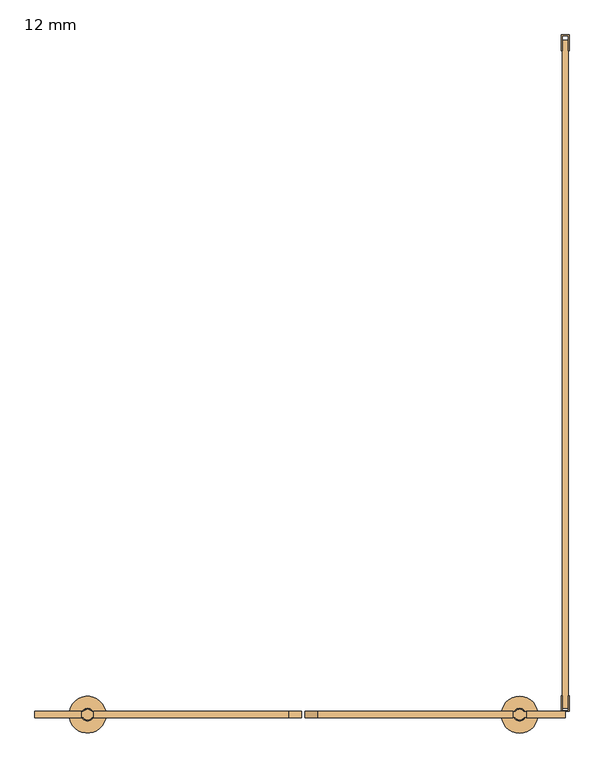
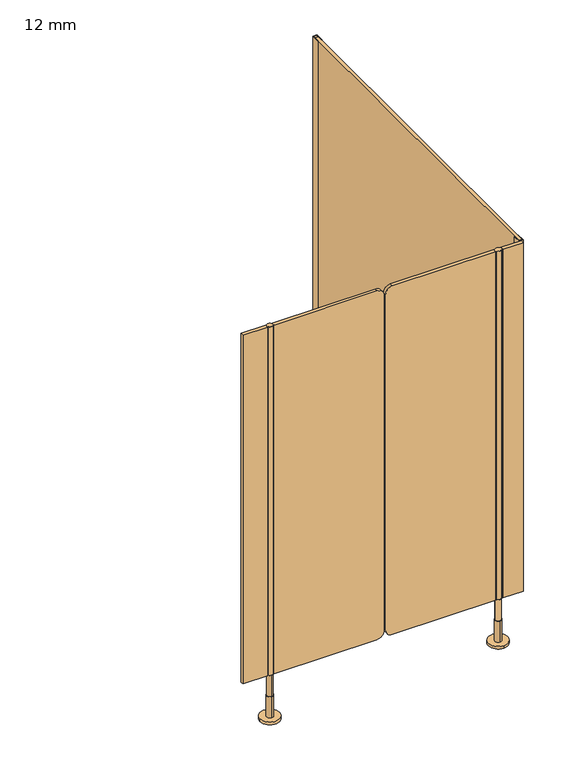
"""IFC4 building model written with IfcOpenShell, lengths in millimetres: door geometry, 12 mm."""

from ifc_helpers import new_model, si_unit, point, frame, frame_2d, origin, place, context, project, spatial, polyline, circle_curve, trimmed, segment, composite_curve, outline, extrude, source, transform, mapped, element, save
from ifc_brep_helpers import plane_surface, cylinder_surface, advanced_brep


def door_12_mm_644e4122(model_context):
    return source(origin(), model_context, "Body", "SolidModel", [
        advanced_brep(
        [(429.0, -1296.0, 170.0), (409.0, -1296.0, 170.0), (409.0, -1296.0, 90.0), (429.0, -1296.0, 90.0), (419.0, -1284.0, 90.0), (419.0, -1308.0, 90.0), (419.0, -1284.0, 10.0), (419.0, -1308.0, 10.0), (419.0, -1261.0, 10.0), (419.0, -1331.0, 10.0), (419.0, -1261.0, 0.0), (419.0, -1331.0, 0.0)],
        [
            (0, 1, circle_curve(frame((419.0, -1296.0, 170.0), z_axis=(0.0, 0.0, 1.0), x_axis=(-1.0, 0.0, 0.0)), 10.0)),
            (1, 0, circle_curve(frame((419.0, -1296.0, 170.0), z_axis=(0.0, 0.0, 1.0), x_axis=(-1.0, 0.0, 0.0)), 10.0)),
            (1, 2),
            (2, 3, circle_curve(frame((419.0, -1296.0, 90.0), z_axis=(0.0, 0.0, 1.0), x_axis=(-1.0, 0.0, 0.0)), 10.0)),
            (3, 0),
            (3, 2, circle_curve(frame((419.0, -1296.0, 90.0), z_axis=(0.0, 0.0, 1.0), x_axis=(-1.0, 0.0, 0.0)), 10.0)),
            (4, 5, circle_curve(frame((419.0, -1296.0, 90.0), z_axis=(0.0, 0.0, 1.0), x_axis=(0.0, -1.0, 0.0)), 12.0)),
            (5, 4, circle_curve(frame((419.0, -1296.0, 90.0), z_axis=(0.0, 0.0, 1.0), x_axis=(0.0, -1.0, 0.0)), 12.0)),
            (4, 6),
            (6, 7, circle_curve(frame((419.0, -1296.0, 10.0), z_axis=(0.0, 0.0, 1.0), x_axis=(0.0, -1.0, 0.0)), 12.0)),
            (7, 5),
            (7, 6, circle_curve(frame((419.0, -1296.0, 10.0), z_axis=(0.0, 0.0, 1.0), x_axis=(0.0, -1.0, 0.0)), 12.0)),
            (8, 9, circle_curve(frame((419.0, -1296.0, 10.0), z_axis=(0.0, 0.0, 1.0), x_axis=(0.0, -1.0, 0.0)), 35.0)),
            (9, 8, circle_curve(frame((419.0, -1296.0, 10.0), z_axis=(0.0, 0.0, 1.0), x_axis=(0.0, -1.0, 0.0)), 35.0)),
            (10, 11, circle_curve(frame((419.0, -1296.0, 0.0), z_axis=(0.0, 0.0, -1.0), x_axis=(0.0, -1.0, 0.0)), 35.0)),
            (11, 10, circle_curve(frame((419.0, -1296.0, 0.0), z_axis=(0.0, 0.0, -1.0), x_axis=(0.0, -1.0, 0.0)), 35.0)),
            (8, 10),
            (11, 9),
        ],
        [
            plane_surface(frame((419.0, -1290.0, 170.0), z_axis=(0.0, 0.0, 1.0), x_axis=(0.0, -1.0, 0.0))),
            cylinder_surface(frame((419.0, -1296.0, 90.0), z_axis=(0.0, 0.0, -1.0), x_axis=(-1.0, 0.0, 0.0)), 10.0),
            plane_surface(frame((419.0, -1290.0, 90.0), z_axis=(0.0, 0.0, 1.0), x_axis=(0.0, -1.0, 0.0))),
            cylinder_surface(frame((419.0, -1296.0, 90.0), z_axis=(0.0, 0.0, 1.0), x_axis=(0.0, -1.0, 0.0)), 12.0),
            plane_surface(frame((419.0, -1290.0, 10.0), z_axis=(0.0, 0.0, 1.0), x_axis=(0.0, -1.0, 0.0))),
            plane_surface(frame((419.0, -1290.0, 0.0), z_axis=(0.0, 0.0, -1.0), x_axis=(0.0, -1.0, 0.0))),
            cylinder_surface(frame((419.0, -1296.0, 10.0), z_axis=(0.0, 0.0, 1.0), x_axis=(0.0, -1.0, 0.0)), 35.0),
        ],
        [
            (0, [[1, 2]]),
            (1, [[-2, 3, 4, 5]]),
            (1, [[-1, -5, 6, -3]]),
            (2, [[7, 8], [-4, -6]]),
            (3, [[-7, 9, 10, 11]]),
            (3, [[-8, -11, 12, -9]]),
            (4, [[13, 14], [-10, -12]]),
            (5, [[15, 16]]),
            (6, [[-13, 17, -16, 18]]),
            (6, [[-14, -18, -15, -17]]),
        ],
    ),
        advanced_brep(
        [(-405.5, -1306.0, 170.0), (-405.5, -1286.0, 170.0), (-405.5, -1286.0, 90.0), (-405.5, -1306.0, 90.0), (-405.5, -1284.0, 90.0), (-405.5, -1308.0, 90.0), (-405.5, -1284.0, 10.0), (-405.5, -1308.0, 10.0), (-370.5, -1296.0, 0.0), (-440.5, -1296.0, 0.0), (-370.5, -1296.0, 10.0), (-440.5, -1296.0, 10.0)],
        [
            (0, 1, circle_curve(frame((-405.5, -1296.0, 170.0), z_axis=(0.0, 0.0, -1.0), x_axis=(0.0, -1.0, 0.0)), 10.0)),
            (1, 2),
            (2, 3, circle_curve(frame((-405.5, -1296.0, 90.0), z_axis=(0.0, 0.0, 1.0), x_axis=(0.0, -1.0, 0.0)), 10.0)),
            (3, 0),
            (1, 0, circle_curve(frame((-405.5, -1296.0, 170.0), z_axis=(0.0, 0.0, -1.0), x_axis=(0.0, -1.0, 0.0)), 10.0)),
            (3, 2, circle_curve(frame((-405.5, -1296.0, 90.0), z_axis=(0.0, 0.0, 1.0), x_axis=(0.0, -1.0, 0.0)), 10.0)),
            (4, 5, circle_curve(frame((-405.5, -1296.0, 90.0), z_axis=(0.0, 0.0, 1.0), x_axis=(0.0, -1.0, 0.0)), 12.0)),
            (5, 4, circle_curve(frame((-405.5, -1296.0, 90.0), z_axis=(0.0, 0.0, 1.0), x_axis=(0.0, -1.0, 0.0)), 12.0)),
            (4, 6),
            (6, 7, circle_curve(frame((-405.5, -1296.0, 10.0), z_axis=(0.0, 0.0, 1.0), x_axis=(0.0, -1.0, 0.0)), 12.0)),
            (7, 5),
            (7, 6, circle_curve(frame((-405.5, -1296.0, 10.0), z_axis=(0.0, 0.0, 1.0), x_axis=(0.0, -1.0, 0.0)), 12.0)),
            (8, 9, circle_curve(frame((-405.5, -1296.0, 0.0), z_axis=(0.0, 0.0, -1.0), x_axis=(-1.0, 0.0, 0.0)), 35.0)),
            (9, 8, circle_curve(frame((-405.5, -1296.0, 0.0), z_axis=(0.0, 0.0, -1.0), x_axis=(-1.0, 0.0, 0.0)), 35.0)),
            (10, 11, circle_curve(frame((-405.5, -1296.0, 10.0), z_axis=(0.0, 0.0, 1.0), x_axis=(-1.0, 0.0, 0.0)), 35.0)),
            (11, 10, circle_curve(frame((-405.5, -1296.0, 10.0), z_axis=(0.0, 0.0, 1.0), x_axis=(-1.0, 0.0, 0.0)), 35.0)),
            (8, 10),
            (11, 9),
        ],
        [
            cylinder_surface(frame((-405.5, -1296.0, 170.0), z_axis=(0.0, 0.0, 1.0), x_axis=(0.0, -1.0, 0.0)), 10.0),
            plane_surface(frame((-405.5, -1290.0, 90.0), z_axis=(0.0, 0.0, 1.0), x_axis=(0.0, -1.0, 0.0))),
            cylinder_surface(frame((-405.5, -1296.0, 90.0), z_axis=(0.0, 0.0, 1.0), x_axis=(0.0, -1.0, 0.0)), 12.0),
            plane_surface(frame((-405.5, -1290.0, 0.0), z_axis=(0.0, 0.0, -1.0), x_axis=(0.0, -1.0, 0.0))),
            plane_surface(frame((-405.5, -1290.0, 10.0), z_axis=(0.0, 0.0, 1.0), x_axis=(0.0, -1.0, 0.0))),
            cylinder_surface(frame((-405.5, -1296.0, 0.0), z_axis=(0.0, 0.0, -1.0), x_axis=(-1.0, 0.0, 0.0)), 35.0),
            plane_surface(frame((-405.5, -1290.0, 170.0), z_axis=(0.0, 0.0, 1.0), x_axis=(0.0, -1.0, 0.0))),
        ],
        [
            (0, [[1, 2, 3, 4]]),
            (0, [[5, -4, 6, -2]]),
            (1, [[7, 8], [-3, -6]]),
            (2, [[-7, 9, 10, 11]]),
            (2, [[-8, -11, 12, -9]]),
            (3, [[13, 14]]),
            (4, [[15, 16], [-10, -12]]),
            (5, [[-13, 17, -16, 18]]),
            (5, [[-14, -18, -15, -17]]),
            (6, [[-1, -5]]),
        ],
    ),
        extrude(outline(composite_curve([segment(polyline([(170.0, 406.0), (1500.0, 406.0), (1500.0, 34.0002203)]), True, "CONTINUOUS"), segment(trimmed(circle_curve(frame_2d((1475.0, 34.0002203)), 25.0), [point((1500.0, 34.0002203))], [point((1475.0, 9.0002203))], False, "CARTESIAN"), True, "CONTINUOUS"), segment(polyline([(1475.0, 9.0002203), (195.0, 9.0002203)]), True, "CONTINUOUS"), segment(trimmed(circle_curve(frame_2d((195.0, 34.0002203)), 25.0), [point((195.0, 9.0002203))], [point((170.0, 34.0002203))], False, "CARTESIAN"), True, "CONTINUOUS"), segment(polyline([(170.0, 34.0002203), (170.0, 406.0)]), True, "CONTINUOUS")], self_intersect=False)), frame((0.0, -1302.0, 0.0), z_axis=(0.0, 1.0, 0.0), x_axis=(0.0, 0.0, 1.0)), (0.0, 0.0, 1.0), 12.0),
        extrude(outline(composite_curve([segment(polyline([(1500.0, -394.0), (170.0, -394.0), (170.0, -22.0002203)]), True, "CONTINUOUS"), segment(trimmed(circle_curve(frame_2d((195.0, -22.0002203)), 25.0), [point((170.0, -22.0002203))], [point((195.0, 2.9997797))], False, "CARTESIAN"), True, "CONTINUOUS"), segment(polyline([(195.0, 2.9997797), (1475.0, 2.9997797)]), True, "CONTINUOUS"), segment(trimmed(circle_curve(frame_2d((1475.0, -22.0002203)), 25.0), [point((1475.0, 2.9997797))], [point((1500.0, -22.0002203))], False, "CARTESIAN"), True, "CONTINUOUS"), segment(polyline([(1500.0, -22.0002203), (1500.0, -394.0)]), True, "CONTINUOUS")], self_intersect=False)), frame((0.0, -1302.0, 0.0), z_axis=(0.0, 1.0, 0.0), x_axis=(0.0, 0.0, 1.0)), (0.0, 0.0, 1.0), 12.0),
        extrude(outline(composite_curve([segment(trimmed(circle_curve(frame_2d((-405.5, -1296.0)), 10.0), [point((-413.5, -1290.0))], [point((-397.5, -1290.0))], False, "CARTESIAN"), True, "CONTINUOUS"), segment(trimmed(circle_curve(frame_2d((-405.5, -1296.0)), 10.0), [point((-397.5, -1290.0))], [point((-396.8391323, -1291.0010631))], False, "CARTESIAN"), True, "CONTINUOUS"), segment(polyline([(-396.8391323, -1291.0010631), (-394.0, -1291.0010631), (-394.0, -1300.9989369), (-396.8391323, -1300.9989369)]), True, "CONTINUOUS"), segment(trimmed(circle_curve(frame_2d((-405.5, -1296.0)), 10.0), [point((-396.8391323, -1300.9989369))], [point((-414.1608677, -1300.9989369))], False, "CARTESIAN"), True, "CONTINUOUS"), segment(polyline([(-414.1608677, -1300.9989369), (-417.0, -1300.9989369), (-417.0, -1291.0010631), (-414.1608677, -1291.0010631)]), True, "CONTINUOUS"), segment(trimmed(circle_curve(frame_2d((-405.5, -1296.0)), 10.0), [point((-414.1608677, -1291.0010631))], [point((-413.5, -1290.0))], False, "CARTESIAN"), True, "CONTINUOUS")], self_intersect=False)), frame((0.0, 0.0, 170.0), z_axis=(0.0, 0.0, 1.0), x_axis=(1.0, 0.0, 0.0)), (0.0, 0.0, 1.0), 1330.0),
        extrude(outline(composite_curve([segment(trimmed(circle_curve(frame_2d((419.0, -1296.0)), 10.0), [point((427.6608677, -1300.9989369))], [point((410.3391323, -1300.9989369))], False, "CARTESIAN"), True, "CONTINUOUS"), segment(polyline([(410.3391323, -1300.9989369), (406.0, -1300.9989369), (406.0, -1291.0010631), (410.3391323, -1291.0010631)]), True, "CONTINUOUS"), segment(trimmed(circle_curve(frame_2d((419.0, -1296.0)), 10.0), [point((410.3391323, -1291.0010631))], [point((427.6608677, -1291.0010631))], False, "CARTESIAN"), True, "CONTINUOUS"), segment(polyline([(427.6608677, -1291.0010631), (432.0, -1291.0010631), (432.0, -1300.9989369), (427.6608677, -1300.9989369)]), True, "CONTINUOUS")], self_intersect=False)), frame((0.0, 0.0, 170.0), z_axis=(0.0, 0.0, 1.0), x_axis=(1.0, 0.0, 0.0)), (0.0, 0.0, 1.0), 1330.0),
        extrude(outline(polyline([(498.5, 0.0), (513.5, 0.0), (513.5, -30.0), (512.0, -30.0), (512.0, -1.5), (500.0, -1.5), (500.0, -30.0), (498.5, -30.0), (498.5, 0.0)])), frame((0.0, 0.0, 170.0), z_axis=(0.0, 0.0, 1.0), x_axis=(1.0, 0.0, 0.0)), (0.0, 0.0, 1.0), 1330.0),
        extrude(outline(polyline([(432.0, -1290.0), (506.0, -1290.0), (506.0, -1302.0), (432.0, -1302.0), (432.0, -1290.0)])), frame((0.0, 0.0, 170.0), z_axis=(0.0, 0.0, 1.0), x_axis=(1.0, 0.0, 0.0)), (0.0, 0.0, 1.0), 1330.0),
        extrude(outline(polyline([(-417.0, -1290.0), (-417.0, -1302.0), (-506.0, -1302.0), (-506.0, -1290.0), (-417.0, -1290.0)])), frame((0.0, 0.0, 170.0), z_axis=(0.0, 0.0, 1.0), x_axis=(1.0, 0.0, 0.0)), (0.0, 0.0, 1.0), 1330.0),
        extrude(outline(polyline([(513.5, -1290.0), (498.5, -1290.0), (498.5, -1260.0), (500.0, -1260.0), (500.0, -1288.5), (512.0, -1288.5), (512.0, -1260.0), (513.5, -1260.0), (513.5, -1290.0)])), frame((0.0, 0.0, 170.0), z_axis=(0.0, 0.0, 1.0), x_axis=(1.0, 0.0, 0.0)), (0.0, 0.0, 1.0), 1330.0),
        extrude(outline(polyline([(512.0, -10.0), (512.0, -1284.0), (500.0, -1284.0), (500.0, -10.0), (512.0, -10.0)])), frame((0.0, 0.0, 170.0), z_axis=(0.0, 0.0, 1.0), x_axis=(1.0, 0.0, 0.0)), (0.0, 0.0, 1.0), 1330.0),
    ])


if __name__ == "__main__":
    model = new_model("IFC4")
    model_context = context("Model", 3, world=origin())
    ifc_project = project(units=[si_unit("LENGTHUNIT", "METRE", prefix="MILLI")], contexts=[model_context])
    site = spatial("IfcSite", under=ifc_project)
    building = spatial("IfcBuilding", under=site)
    placement = place(None, origin())
    door_12_mm_shape = door_12_mm_644e4122(model_context)
    element("IfcDoor", 1, ObjectType="12 mm", at=placement, inside=building, context=model_context, shape_type="MappedRepresentation", body=[
        mapped(door_12_mm_shape, transform((0.0, 0.0, 0.0), x_axis=(1.0, 0.0, 0.0), y_axis=(0.0, 1.0, 0.0), z_axis=(0.0, 0.0, 1.0))),
    ])
    save(model, "model.ifc")
